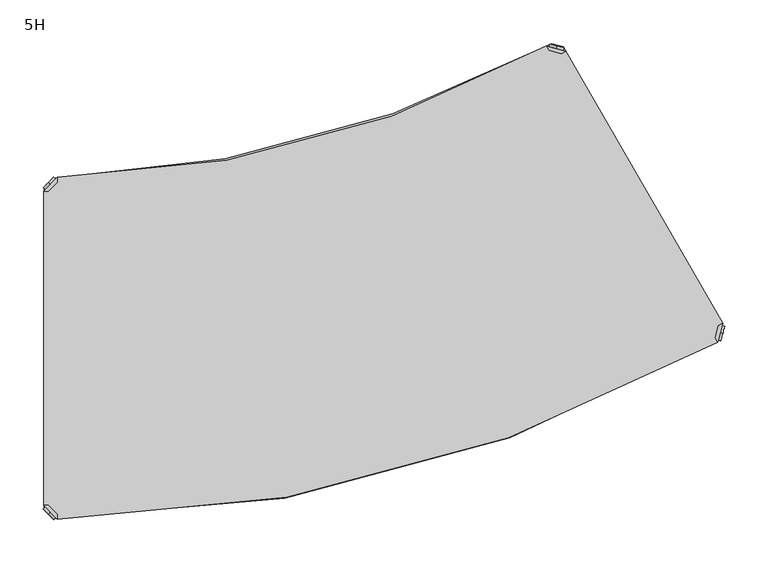
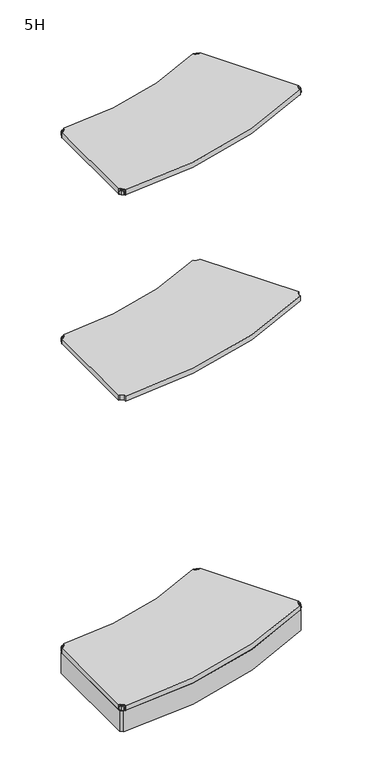
"""IFC4 building model written with IfcOpenShell, lengths in millimetres: furniture geometry, 5H."""

from ifc_helpers import new_model, si_unit, point, frame, frame_2d, origin, place, context, project, spatial, polyline, circle_curve, trimmed, segment, composite_curve, outline, extrude, source, transform, mapped, element, save
from ifc_brep_helpers import plane_surface, cylinder_surface, advanced_brep


def furniture_5h_eff8c417(model_context):
    return source(origin(), model_context, "Body", "SolidModel", [
        advanced_brep(
        [(10.9601551, 389.0398449, 1298.5), (10.9601551, 389.0398449, 1315.5), (10.9601551, 389.0398449, 1307.0), (8.8388348, 391.1611652, 1298.5), (8.8388348, 391.1611652, 1315.5), (8.8388348, 391.1611652, 1307.0)],
        [
            (0, 1, circle_curve(frame((10.9601551, 389.0398449, 1307.0), z_axis=(0.7071067811865509, -0.7071067811865441, 0.0), x_axis=(0.0, 0.0, 1.0)), 8.5)),
            (1, 2),
            (2, 0),
            (1, 0, circle_curve(frame((10.9601551, 389.0398449, 1307.0), z_axis=(0.7071067811865509, -0.7071067811865441, 0.0), x_axis=(0.0, 0.0, 1.0)), 8.5)),
            (3, 4, circle_curve(frame((8.8388348, 391.1611652, 1307.0), z_axis=(0.7071067811865509, -0.7071067811865441, 0.0), x_axis=(0.0, 0.0, 1.0)), 8.5)),
            (4, 1),
            (0, 3),
            (4, 3, circle_curve(frame((8.8388348, 391.1611652, 1307.0), z_axis=(0.7071067811865509, -0.7071067811865441, 0.0), x_axis=(0.0, 0.0, 1.0)), 8.5)),
            (5, 4),
            (3, 5),
        ],
        [
            plane_surface(frame((10.9601551, 389.0398449, 1307.0), z_axis=(0.7071067811865506, -0.7071067811865446, 0.0), x_axis=(0.0, 0.0, 1.0))),
            cylinder_surface(frame((8.8388348, 391.1611652, 1307.0), z_axis=(-0.7071067811865509, 0.7071067811865441, 0.0), x_axis=(0.0, 0.0, 1.0)), 8.5),
            plane_surface(frame((8.8388348, 391.1611652, 1307.0), z_axis=(-0.7071067811865506, 0.7071067811865446, 0.0), x_axis=(0.0, 0.0, 1.0))),
        ],
        [
            (0, [[1, 2, 3]]),
            (0, [[4, -3, -2]]),
            (1, [[5, 6, -1, 7]]),
            (1, [[8, -7, -4, -6]]),
            (2, [[9, -5, 10]]),
            (2, [[-10, -8, -9]]),
        ],
    ),
        advanced_brep(
        [(18.9203102, 397.0, 1317.0), (3.0, 381.0796898, 1317.0), (8.6568542, 381.0796898, 1317.0), (18.9203102, 391.3431458, 1317.0), (18.9203102, 397.0, 1298.0), (18.9203102, 397.0, 1297.0), (3.0, 381.0796898, 1297.0), (3.0, 381.0796898, 1298.0), (8.6568542, 381.0796898, 1298.0), (18.9203102, 391.3431458, 1298.0), (31.8093975, 352.2702923, 1298.0), (47.7297077, 368.1906025, 1298.0), (47.7297077, 368.1906025, 1297.0), (31.8093975, 352.2702923, 1297.0)],
        [
            (0, 1),
            (1, 2),
            (2, 3),
            (3, 0),
            (0, 4),
            (4, 5),
            (5, 6),
            (6, 7),
            (7, 1),
            (2, 8),
            (8, 9),
            (9, 3),
            (9, 4),
            (7, 8),
            (7, 10),
            (10, 11, circle_curve(frame((39.7695526, 360.2304474, 1298.0), z_axis=(0.0, 0.0, 1.0), x_axis=(1.0, 0.0, 0.0)), 11.2573593)),
            (11, 4),
            (5, 12),
            (12, 13, circle_curve(frame((39.7695526, 360.2304474, 1297.0), z_axis=(0.0, 0.0, -1.0), x_axis=(1.0, 0.0, 0.0)), 11.2573593)),
            (13, 6),
            (13, 10),
            (12, 11),
        ],
        [
            plane_surface(frame((-38.8756299, 339.2040599, 1317.0), z_axis=(0.0, 0.0, 1.0000000000000002), x_axis=(-0.7071067811865511, -0.707106781186544, 0.0))),
            plane_surface(frame((18.9203102, 397.0, 1317.0), z_axis=(-0.707106781186544, 0.7071067811865511, 0.0), x_axis=(0.0, 0.0, -1.0))),
            plane_surface(frame((8.6568542, 381.0796898, 1317.0), z_axis=(0.7071067811865527, -0.7071067811865424, 0.0), x_axis=(0.0, 0.0, -1.0))),
            plane_surface(frame((18.9203102, 391.3431458, 1317.0), z_axis=(1.0, 0.0, 0.0), x_axis=(0.0, 0.0, -1.0))),
            plane_surface(frame((3.0, 381.0796898, 1317.0), z_axis=(0.0, -1.0, 0.0), x_axis=(0.0, 0.0, -1.0))),
            plane_surface(frame((3.0, 381.0796898, 1298.0), z_axis=(0.0, 0.0, 1.0), x_axis=(-0.7071067811865439, -0.7071067811865511, 0.0))),
            plane_surface(frame((3.0, 381.0796898, 1297.0), z_axis=(0.0, 0.0, -1.0), x_axis=(0.7071067811865439, 0.7071067811865511, 0.0))),
            plane_surface(frame((3.0, 381.0796898, 1298.0), z_axis=(-0.7071067811865446, -0.7071067811865506, 0.0), x_axis=(0.0, 0.0, -1.0))),
            cylinder_surface(frame((39.7695526, 360.2304474, 1297.0), z_axis=(0.0, 0.0, 1.0), x_axis=(1.0, 0.0, 0.0)), 11.2573593),
            plane_surface(frame((47.7297077, 368.1906025, 1298.0), z_axis=(0.7071067811865435, 0.7071067811865517, 0.0), x_axis=(0.0, 0.0, -1.0))),
        ],
        [
            (0, [[1, 2, 3, 4]]),
            (1, [[-1, 5, 6, 7, 8, 9]]),
            (2, [[-3, 10, 11, 12]]),
            (3, [[-4, -12, 13, -5]]),
            (4, [[-2, -9, 14, -10]]),
            (5, [[15, 16, 17, -13, -11, -14]]),
            (6, [[18, 19, 20, -7]]),
            (7, [[-15, -8, -20, 21]]),
            (8, [[-16, -21, -19, 22]]),
            (9, [[-17, -22, -18, -6]]),
        ],
    ),
        extrude(outline(composite_curve([segment(polyline([(3.0, 381.0796898), (8.6568542, 381.0796898), (18.9203102, 391.3431458), (18.9203102, 397.1493369)]), True, "CONTINUOUS"), segment(trimmed(circle_curve(frame_2d((0.0, 1595.6333221)), 1198.6333221), [point((18.9203102, 397.1493369))], [point((582.8586275, 548.2567608))], True, "CARTESIAN"), True, "CONTINUOUS"), segment(polyline([(582.8586275, 548.2567608), (585.6991478, 543.3368352), (599.7022885, 539.584705), (604.609961, 542.418151), (785.7022582, 228.7570914), (780.8066612, 225.9306171), (777.0494272, 211.9084292), (779.8770965, 207.0107625)]), True, "CONTINUOUS"), segment(trimmed(circle_curve(frame_2d((0.0, 1595.6333221)), 1592.6333221), [point((779.8770965, 207.0107625))], [point((18.9203102, 3.1123896))], False, "CARTESIAN"), True, "CONTINUOUS"), segment(polyline([(18.9203102, 3.1123896), (18.9203102, 8.6568542), (8.6568542, 18.9203102), (3.0, 18.9203102), (3.0, 381.0796898)]), True, "CONTINUOUS")], self_intersect=False)), frame((0.0, 0.0, 1298.0), z_axis=(0.0, 0.0, 1.0), x_axis=(1.0, 0.0, 0.0)), (0.0, 0.0, 1.0), 19.0),
        advanced_brep(
        [(10.9601551, 10.9601551, 2098.5), (10.9601551, 10.9601551, 2107.0), (10.9601551, 10.9601551, 2115.5), (8.8388348, 8.8388348, 2098.5), (8.8388348, 8.8388348, 2115.5), (8.8388348, 8.8388348, 2107.0)],
        [
            (0, 1),
            (1, 2),
            (2, 0, circle_curve(frame((10.9601551, 10.9601551, 2107.0), z_axis=(0.7071067811865465, 0.7071067811865486, 0.0), x_axis=(0.0, 0.0, 1.0)), 8.5)),
            (0, 2, circle_curve(frame((10.9601551, 10.9601551, 2107.0), z_axis=(0.7071067811865465, 0.7071067811865486, 0.0), x_axis=(0.0, 0.0, 1.0)), 8.5)),
            (3, 0),
            (2, 4),
            (4, 3, circle_curve(frame((8.8388348, 8.8388348, 2107.0), z_axis=(0.7071067811865465, 0.7071067811865486, 0.0), x_axis=(0.0, 0.0, 1.0)), 8.5)),
            (3, 4, circle_curve(frame((8.8388348, 8.8388348, 2107.0), z_axis=(0.7071067811865465, 0.7071067811865486, 0.0), x_axis=(0.0, 0.0, 1.0)), 8.5)),
            (5, 3),
            (4, 5),
        ],
        [
            plane_surface(frame((10.9601551, 10.9601551, 2107.0), z_axis=(0.7071067811865461, 0.707106781186549, 0.0), x_axis=(0.0, 0.0, 1.0))),
            cylinder_surface(frame((8.8388348, 8.8388348, 2107.0), z_axis=(-0.7071067811865465, -0.7071067811865486, 0.0), x_axis=(0.0, 0.0, 1.0)), 8.5),
            plane_surface(frame((8.8388348, 8.8388348, 2107.0), z_axis=(-0.7071067811865461, -0.707106781186549, 0.0), x_axis=(0.0, 0.0, 1.0))),
        ],
        [
            (0, [[1, 2, 3]]),
            (0, [[-2, -1, 4]]),
            (1, [[5, -3, 6, 7]]),
            (1, [[-6, -4, -5, 8]]),
            (2, [[9, -7, 10]]),
            (2, [[-10, -8, -9]]),
        ],
    ),
        advanced_brep(
        [(18.9203102, 3.0, 2117.0), (18.9203102, 8.6568542, 2117.0), (8.6568542, 18.9203102, 2117.0), (3.0, 18.9203102, 2117.0), (3.0, 18.9203102, 2098.0), (3.0, 18.9203102, 2097.0), (18.9203102, 3.0, 2097.0), (18.9203102, 3.0, 2098.0), (18.9203102, 8.6568542, 2098.0), (8.6568542, 18.9203102, 2098.0), (47.7297077, 31.8093975, 2098.0), (31.8093975, 47.7297077, 2098.0), (31.8093975, 47.7297077, 2097.0), (47.7297077, 31.8093975, 2097.0)],
        [
            (0, 1),
            (1, 2),
            (2, 3),
            (3, 0),
            (3, 4),
            (4, 5),
            (5, 6),
            (6, 7),
            (7, 0),
            (1, 8),
            (8, 9),
            (9, 2),
            (7, 8),
            (9, 4),
            (7, 10),
            (10, 11, circle_curve(frame((39.7695526, 39.7695526, 2098.0), z_axis=(0.0, 0.0, 1.0), x_axis=(1.0, 0.0, 0.0)), 11.2573593)),
            (11, 4),
            (5, 12),
            (12, 13, circle_curve(frame((39.7695526, 39.7695526, 2097.0), z_axis=(0.0, 0.0, -1.0), x_axis=(1.0, 0.0, 0.0)), 11.2573593)),
            (13, 6),
            (11, 12),
            (10, 13),
        ],
        [
            plane_surface(frame((-38.8756299, 60.7959401, 2117.0), z_axis=(0.0, 0.0, 1.0), x_axis=(-0.7071067811865556, 0.7071067811865396, 0.0))),
            plane_surface(frame((18.9203102, 3.0, 2117.0), z_axis=(-0.7071067811865396, -0.7071067811865556, 0.0), x_axis=(0.0, 0.0, -1.0))),
            plane_surface(frame((8.6568542, 18.9203102, 2117.0), z_axis=(0.7071067811865482, 0.7071067811865468, 0.0), x_axis=(0.0, 0.0, -1.0))),
            plane_surface(frame((18.9203102, 8.6568542, 2117.0), z_axis=(1.0, 0.0, 0.0), x_axis=(0.0, 0.0, -1.0))),
            plane_surface(frame((3.0, 18.9203102, 2117.0), z_axis=(0.0, 1.0, 0.0), x_axis=(0.0, 0.0, -1.0))),
            plane_surface(frame((3.0, 18.9203102, 2098.0), z_axis=(0.0, 0.0, 1.0), x_axis=(-0.7071067811865483, 0.7071067811865467, 0.0))),
            plane_surface(frame((3.0, 18.9203102, 2097.0), z_axis=(0.0, 0.0, -1.0), x_axis=(0.7071067811865483, -0.7071067811865467, 0.0))),
            plane_surface(frame((3.0, 18.9203102, 2098.0), z_axis=(-0.707106781186549, 0.7071067811865461, 0.0), x_axis=(0.0, 0.0, -1.0))),
            cylinder_surface(frame((39.7695526, 39.7695526, 2097.0), z_axis=(0.0, 0.0, 1.0), x_axis=(1.0, 0.0, 0.0)), 11.2573593),
            plane_surface(frame((47.7297077, 31.8093975, 2098.0), z_axis=(0.7071067811865479, -0.7071067811865472, 0.0), x_axis=(0.0, 0.0, -1.0))),
        ],
        [
            (0, [[1, 2, 3, 4]]),
            (1, [[5, 6, 7, 8, 9, -4]]),
            (2, [[10, 11, 12, -2]]),
            (3, [[-9, 13, -10, -1]]),
            (4, [[-12, 14, -5, -3]]),
            (5, [[-14, -11, -13, 15, 16, 17]]),
            (6, [[-7, 18, 19, 20]]),
            (7, [[21, -18, -6, -17]]),
            (8, [[22, -19, -21, -16]]),
            (9, [[-8, -20, -22, -15]]),
        ],
    ),
        advanced_brep(
        [(782.7920217, 217.8852702, 2098.5), (782.7920217, 217.8852702, 2115.5), (782.7920217, 217.8852702, 2107.0), (785.6897991, 217.108813, 2098.5), (785.6897991, 217.108813, 2115.5), (785.6897991, 217.108813, 2107.0)],
        [
            (0, 1, circle_curve(frame((782.7920217, 217.8852702, 2107.0), z_axis=(-0.9659258262890685, 0.25881904510252, 0.0), x_axis=(0.0, 0.0, 1.0)), 8.5)),
            (1, 2),
            (2, 0),
            (1, 0, circle_curve(frame((782.7920217, 217.8852702, 2107.0), z_axis=(-0.9659258262890685, 0.25881904510252, 0.0), x_axis=(0.0, 0.0, 1.0)), 8.5)),
            (3, 4, circle_curve(frame((785.6897991, 217.108813, 2107.0), z_axis=(-0.9659258262890685, 0.25881904510252, 0.0), x_axis=(0.0, 0.0, 1.0)), 8.5)),
            (4, 1),
            (0, 3),
            (4, 3, circle_curve(frame((785.6897991, 217.108813, 2107.0), z_axis=(-0.9659258262890685, 0.25881904510252, 0.0), x_axis=(0.0, 0.0, 1.0)), 8.5)),
            (5, 4),
            (3, 5),
        ],
        [
            plane_surface(frame((782.7920217, 217.8852702, 2107.0), z_axis=(-0.9659258262890684, 0.25881904510252063, 0.0), x_axis=(0.0, 0.0, 1.0))),
            cylinder_surface(frame((785.6897991, 217.108813, 2107.0), z_axis=(0.9659258262890685, -0.25881904510252, 0.0), x_axis=(0.0, 0.0, 1.0)), 8.5),
            plane_surface(frame((785.6897991, 217.108813, 2107.0), z_axis=(0.9659258262890684, -0.25881904510252063, 0.0), x_axis=(0.0, 0.0, 1.0))),
        ],
        [
            (0, [[1, 2, 3]]),
            (0, [[4, -3, -2]]),
            (1, [[5, 6, -1, 7]]),
            (1, [[8, -7, -4, -6]]),
            (2, [[9, -5, 10]]),
            (2, [[-10, -8, -9]]),
        ],
    ),
        advanced_brep(
        [(779.8784027, 207.0114961, 2117.0), (785.7056407, 228.7590443, 2117.0), (780.8066612, 225.9306171, 2117.0), (777.0499756, 211.9104756, 2117.0), (779.8784027, 207.0114961, 2098.0), (779.8784027, 207.0114961, 2097.0), (785.7056407, 228.7590443, 2097.0), (785.7056407, 228.7590443, 2098.0), (780.8066612, 225.9306171, 2098.0), (777.0499756, 211.9104756, 2098.0), (746.3512718, 239.3040156, 2098.0), (740.5240338, 217.5564674, 2098.0), (740.5240338, 217.5564674, 2097.0), (746.3512718, 239.3040156, 2097.0)],
        [
            (0, 1),
            (1, 2),
            (2, 3),
            (3, 0),
            (0, 4),
            (4, 5),
            (5, 6),
            (6, 7),
            (7, 1),
            (2, 8),
            (8, 9),
            (9, 3),
            (9, 4),
            (7, 8),
            (7, 10),
            (10, 11, circle_curve(frame((743.4376528, 228.4302415, 2098.0), z_axis=(0.0, 0.0, 1.0), x_axis=(-0.8660254037844375, -0.5000000000000021, 0.0)), 11.2573593)),
            (11, 4),
            (5, 12),
            (12, 13, circle_curve(frame((743.4376528, 228.4302415, 2097.0), z_axis=(0.0, 0.0, -1.0), x_axis=(-0.8660254037844375, -0.5000000000000021, 0.0)), 11.2573593)),
            (13, 6),
            (13, 10),
            (12, 11),
        ],
        [
            plane_surface(frame((801.033185, 285.9622185, 2117.0), z_axis=(0.0, 0.0, 1.0), x_axis=(0.25881904510252957, 0.965925826289066, 0.0))),
            plane_surface(frame((779.8784027, 207.0114961, 2117.0), z_axis=(0.965925826289066, -0.25881904510252957, 0.0), x_axis=(0.0, 0.0, -1.0))),
            plane_surface(frame((780.8066612, 225.9306171, 2117.0), z_axis=(-0.9659258262890692, 0.2588190451025176, 0.0), x_axis=(0.0, 0.0, -1.0))),
            plane_surface(frame((777.0499756, 211.9104756, 2117.0), z_axis=(-0.866025403784462, -0.4999999999999597, 0.0), x_axis=(0.0, 0.0, -1.0))),
            plane_surface(frame((785.7056407, 228.7590443, 2117.0), z_axis=(-0.4999999999999963, 0.8660254037844408, 0.0), x_axis=(0.0, 0.0, -1.0))),
            plane_surface(frame((785.7056407, 228.7590443, 2098.0), z_axis=(0.0, 0.0, 1.0), x_axis=(0.2588190451025197, 0.9659258262890686, 0.0))),
            plane_surface(frame((785.7056407, 228.7590443, 2097.0), z_axis=(0.0, 0.0, -1.0), x_axis=(-0.2588190451025197, -0.9659258262890686, 0.0))),
            plane_surface(frame((785.7056407, 228.7590443, 2098.0), z_axis=(0.25881904510252063, 0.9659258262890684, 0.0), x_axis=(0.0, 0.0, -1.0))),
            cylinder_surface(frame((743.4376528, 228.4302415, 2097.0), z_axis=(0.0, 0.0, 1.0), x_axis=(-0.8660254037844375, -0.5000000000000021, 0.0)), 11.2573593),
            plane_surface(frame((740.5240338, 217.5564674, 2098.0), z_axis=(-0.2588190451025191, -0.9659258262890689, 0.0), x_axis=(0.0, 0.0, -1.0))),
        ],
        [
            (0, [[1, 2, 3, 4]]),
            (1, [[-1, 5, 6, 7, 8, 9]]),
            (2, [[-3, 10, 11, 12]]),
            (3, [[-4, -12, 13, -5]]),
            (4, [[-2, -9, 14, -10]]),
            (5, [[15, 16, 17, -13, -11, -14]]),
            (6, [[18, 19, 20, -7]]),
            (7, [[-15, -8, -20, 21]]),
            (8, [[-16, -21, -19, 22]]),
            (9, [[-17, -22, -18, -6]]),
        ],
    ),
        advanced_brep(
        [(593.7274939, 545.3267511, 2098.5), (593.7274939, 545.3267511, 2107.0), (593.7274939, 545.3267511, 2115.5), (594.503951, 548.2245285, 2098.5), (594.503951, 548.2245285, 2115.5), (594.503951, 548.2245285, 2107.0)],
        [
            (0, 1),
            (1, 2),
            (2, 0, circle_curve(frame((593.7274939, 545.3267511, 2107.0), z_axis=(-0.25881904510252524, -0.9659258262890672, 0.0), x_axis=(0.0, 0.0, 1.0)), 8.5)),
            (0, 2, circle_curve(frame((593.7274939, 545.3267511, 2107.0), z_axis=(-0.25881904510252524, -0.9659258262890672, 0.0), x_axis=(0.0, 0.0, 1.0)), 8.5)),
            (3, 0),
            (2, 4),
            (4, 3, circle_curve(frame((594.503951, 548.2245285, 2107.0), z_axis=(-0.25881904510252524, -0.9659258262890672, 0.0), x_axis=(0.0, 0.0, 1.0)), 8.5)),
            (3, 4, circle_curve(frame((594.503951, 548.2245285, 2107.0), z_axis=(-0.25881904510252524, -0.9659258262890672, 0.0), x_axis=(0.0, 0.0, 1.0)), 8.5)),
            (5, 3),
            (4, 5),
        ],
        [
            plane_surface(frame((593.7274939, 545.3267511, 2107.0), z_axis=(-0.2588190451025247, -0.9659258262890673, 0.0), x_axis=(0.0, 0.0, 1.0))),
            cylinder_surface(frame((594.503951, 548.2245285, 2107.0), z_axis=(0.25881904510252524, 0.9659258262890672, 0.0), x_axis=(0.0, 0.0, 1.0)), 8.5),
            plane_surface(frame((594.503951, 548.2245285, 2107.0), z_axis=(0.2588190451025247, 0.9659258262890673, 0.0), x_axis=(0.0, 0.0, 1.0))),
        ],
        [
            (0, [[1, 2, 3]]),
            (0, [[-2, -1, 4]]),
            (1, [[5, -3, 6, 7]]),
            (1, [[-6, -4, -5, 8]]),
            (2, [[9, -7, 10]]),
            (2, [[-10, -8, -9]]),
        ],
    ),
        advanced_brep(
        [(582.8537198, 548.2403701, 2117.0), (585.6821469, 543.3413906, 2117.0), (599.7022885, 539.584705, 2117.0), (604.601268, 542.4131321, 2117.0), (604.601268, 542.4131321, 2098.0), (604.601268, 542.4131321, 2097.0), (582.8537198, 548.2403701, 2097.0), (582.8537198, 548.2403701, 2098.0), (585.6821469, 543.3413906, 2098.0), (599.7022885, 539.584705, 2098.0), (572.3087484, 508.8860012, 2098.0), (594.0562966, 503.0587632, 2098.0), (594.0562966, 503.0587632, 2097.0), (572.3087484, 508.8860012, 2097.0)],
        [
            (0, 1),
            (1, 2),
            (2, 3),
            (3, 0),
            (3, 4),
            (4, 5),
            (5, 6),
            (6, 7),
            (7, 0),
            (1, 8),
            (8, 9),
            (9, 2),
            (7, 8),
            (9, 4),
            (7, 10),
            (10, 11, circle_curve(frame((583.1825225, 505.9723822, 2098.0), z_axis=(0.0, 0.0, 1.0), x_axis=(-0.8660254037844418, -0.49999999999999467, 0.0)), 11.2573593)),
            (11, 4),
            (5, 12),
            (12, 13, circle_curve(frame((583.1825225, 505.9723822, 2097.0), z_axis=(0.0, 0.0, -1.0), x_axis=(-0.8660254037844418, -0.49999999999999467, 0.0)), 11.2573593)),
            (13, 6),
            (11, 12),
            (10, 13),
        ],
        [
            plane_surface(frame((661.8044422, 527.0855877, 2117.0), z_axis=(0.0, 0.0, 1.0000000000000002), x_axis=(0.9659258262890698, -0.25881904510251574, 0.0))),
            plane_surface(frame((582.8537198, 548.2403701, 2117.0), z_axis=(0.25881904510251574, 0.9659258262890698, 0.0), x_axis=(0.0, 0.0, -1.0))),
            plane_surface(frame((599.7022885, 539.584705, 2117.0), z_axis=(-0.25881904510252757, -0.9659258262890665, 0.0), x_axis=(0.0, 0.0, -1.0))),
            plane_surface(frame((585.6821469, 543.3413906, 2117.0), z_axis=(-0.8660254037844173, -0.5000000000000371, 0.0), x_axis=(0.0, 0.0, -1.0))),
            plane_surface(frame((604.601268, 542.4131321, 2117.0), z_axis=(0.5000000000000004, -0.8660254037844385, 0.0), x_axis=(0.0, 0.0, -1.0))),
            plane_surface(frame((604.601268, 542.4131321, 2098.0), z_axis=(0.0, 0.0, 1.0), x_axis=(0.9659258262890671, -0.25881904510252546, 0.0))),
            plane_surface(frame((604.601268, 542.4131321, 2097.0), z_axis=(0.0, 0.0, -1.0), x_axis=(-0.9659258262890671, 0.25881904510252546, 0.0))),
            plane_surface(frame((604.601268, 542.4131321, 2098.0), z_axis=(0.9659258262890673, -0.2588190451025247, 0.0), x_axis=(0.0, 0.0, -1.0))),
            cylinder_surface(frame((583.1825225, 505.9723822, 2097.0), z_axis=(0.0, 0.0, 1.0), x_axis=(-0.8660254037844418, -0.49999999999999467, 0.0)), 11.2573593),
            plane_surface(frame((572.3087484, 508.8860012, 2098.0), z_axis=(-0.9659258262890669, 0.2588190451025262, 0.0), x_axis=(0.0, 0.0, -1.0))),
        ],
        [
            (0, [[1, 2, 3, 4]]),
            (1, [[5, 6, 7, 8, 9, -4]]),
            (2, [[10, 11, 12, -2]]),
            (3, [[-9, 13, -10, -1]]),
            (4, [[-12, 14, -5, -3]]),
            (5, [[-14, -11, -13, 15, 16, 17]]),
            (6, [[-7, 18, 19, 20]]),
            (7, [[21, -18, -6, -17]]),
            (8, [[22, -19, -21, -16]]),
            (9, [[-8, -20, -22, -15]]),
        ],
    ),
        advanced_brep(
        [(10.9601551, 389.0398449, 2098.5), (10.9601551, 389.0398449, 2115.5), (10.9601551, 389.0398449, 2107.0), (8.8388348, 391.1611652, 2098.5), (8.8388348, 391.1611652, 2115.5), (8.8388348, 391.1611652, 2107.0)],
        [
            (0, 1, circle_curve(frame((10.9601551, 389.0398449, 2107.0), z_axis=(0.7071067811865509, -0.7071067811865441, 0.0), x_axis=(0.0, 0.0, 1.0)), 8.5)),
            (1, 2),
            (2, 0),
            (1, 0, circle_curve(frame((10.9601551, 389.0398449, 2107.0), z_axis=(0.7071067811865509, -0.7071067811865441, 0.0), x_axis=(0.0, 0.0, 1.0)), 8.5)),
            (3, 4, circle_curve(frame((8.8388348, 391.1611652, 2107.0), z_axis=(0.7071067811865509, -0.7071067811865441, 0.0), x_axis=(0.0, 0.0, 1.0)), 8.5)),
            (4, 1),
            (0, 3),
            (4, 3, circle_curve(frame((8.8388348, 391.1611652, 2107.0), z_axis=(0.7071067811865509, -0.7071067811865441, 0.0), x_axis=(0.0, 0.0, 1.0)), 8.5)),
            (5, 4),
            (3, 5),
        ],
        [
            plane_surface(frame((10.9601551, 389.0398449, 2107.0), z_axis=(0.7071067811865506, -0.7071067811865446, 0.0), x_axis=(0.0, 0.0, 1.0))),
            cylinder_surface(frame((8.8388348, 391.1611652, 2107.0), z_axis=(-0.7071067811865509, 0.7071067811865441, 0.0), x_axis=(0.0, 0.0, 1.0)), 8.5),
            plane_surface(frame((8.8388348, 391.1611652, 2107.0), z_axis=(-0.7071067811865506, 0.7071067811865446, 0.0), x_axis=(0.0, 0.0, 1.0))),
        ],
        [
            (0, [[1, 2, 3]]),
            (0, [[4, -3, -2]]),
            (1, [[5, 6, -1, 7]]),
            (1, [[8, -7, -4, -6]]),
            (2, [[9, -5, 10]]),
            (2, [[-10, -8, -9]]),
        ],
    ),
        advanced_brep(
        [(18.9203102, 397.0, 2117.0), (3.0, 381.0796898, 2117.0), (8.6568542, 381.0796898, 2117.0), (18.9203102, 391.3431458, 2117.0), (18.9203102, 397.0, 2098.0), (18.9203102, 397.0, 2097.0), (3.0, 381.0796898, 2097.0), (3.0, 381.0796898, 2098.0), (8.6568542, 381.0796898, 2098.0), (18.9203102, 391.3431458, 2098.0), (31.8093975, 352.2702923, 2098.0), (47.7297077, 368.1906025, 2098.0), (47.7297077, 368.1906025, 2097.0), (31.8093975, 352.2702923, 2097.0)],
        [
            (0, 1),
            (1, 2),
            (2, 3),
            (3, 0),
            (0, 4),
            (4, 5),
            (5, 6),
            (6, 7),
            (7, 1),
            (2, 8),
            (8, 9),
            (9, 3),
            (9, 4),
            (7, 8),
            (7, 10),
            (10, 11, circle_curve(frame((39.7695526, 360.2304474, 2098.0), z_axis=(0.0, 0.0, 1.0), x_axis=(1.0, 0.0, 0.0)), 11.2573593)),
            (11, 4),
            (5, 12),
            (12, 13, circle_curve(frame((39.7695526, 360.2304474, 2097.0), z_axis=(0.0, 0.0, -1.0), x_axis=(1.0, 0.0, 0.0)), 11.2573593)),
            (13, 6),
            (13, 10),
            (12, 11),
        ],
        [
            plane_surface(frame((-38.8756299, 339.2040599, 2117.0), z_axis=(0.0, 0.0, 1.0000000000000002), x_axis=(-0.7071067811865511, -0.707106781186544, 0.0))),
            plane_surface(frame((18.9203102, 397.0, 2117.0), z_axis=(-0.707106781186544, 0.7071067811865511, 0.0), x_axis=(0.0, 0.0, -1.0))),
            plane_surface(frame((8.6568542, 381.0796898, 2117.0), z_axis=(0.7071067811865527, -0.7071067811865424, 0.0), x_axis=(0.0, 0.0, -1.0))),
            plane_surface(frame((18.9203102, 391.3431458, 2117.0), z_axis=(1.0, 0.0, 0.0), x_axis=(0.0, 0.0, -1.0))),
            plane_surface(frame((3.0, 381.0796898, 2117.0), z_axis=(0.0, -1.0, 0.0), x_axis=(0.0, 0.0, -1.0))),
            plane_surface(frame((3.0, 381.0796898, 2098.0), z_axis=(0.0, 0.0, 1.0), x_axis=(-0.7071067811865439, -0.7071067811865511, 0.0))),
            plane_surface(frame((3.0, 381.0796898, 2097.0), z_axis=(0.0, 0.0, -1.0), x_axis=(0.7071067811865439, 0.7071067811865511, 0.0))),
            plane_surface(frame((3.0, 381.0796898, 2098.0), z_axis=(-0.7071067811865446, -0.7071067811865506, 0.0), x_axis=(0.0, 0.0, -1.0))),
            cylinder_surface(frame((39.7695526, 360.2304474, 2097.0), z_axis=(0.0, 0.0, 1.0), x_axis=(1.0, 0.0, 0.0)), 11.2573593),
            plane_surface(frame((47.7297077, 368.1906025, 2098.0), z_axis=(0.7071067811865435, 0.7071067811865517, 0.0), x_axis=(0.0, 0.0, -1.0))),
        ],
        [
            (0, [[1, 2, 3, 4]]),
            (1, [[-1, 5, 6, 7, 8, 9]]),
            (2, [[-3, 10, 11, 12]]),
            (3, [[-4, -12, 13, -5]]),
            (4, [[-2, -9, 14, -10]]),
            (5, [[15, 16, 17, -13, -11, -14]]),
            (6, [[18, 19, 20, -7]]),
            (7, [[-15, -8, -20, 21]]),
            (8, [[-16, -21, -19, 22]]),
            (9, [[-17, -22, -18, -6]]),
        ],
    ),
        extrude(outline(composite_curve([segment(polyline([(3.0, 381.0796898), (8.6568542, 381.0796898), (18.9203102, 391.3431458), (18.9203102, 397.1493369)]), True, "CONTINUOUS"), segment(trimmed(circle_curve(frame_2d((0.0, 1595.6333221)), 1198.6333221), [point((18.9203102, 397.1493369))], [point((582.8586275, 548.2567608))], True, "CARTESIAN"), True, "CONTINUOUS"), segment(polyline([(582.8586275, 548.2567608), (585.6991478, 543.3368352), (599.7022885, 539.584705), (604.609961, 542.418151), (785.7022582, 228.7570914), (780.8066612, 225.9306171), (777.0494272, 211.9084292), (779.8770965, 207.0107625)]), True, "CONTINUOUS"), segment(trimmed(circle_curve(frame_2d((0.0, 1595.6333221)), 1592.6333221), [point((779.8770965, 207.0107625))], [point((18.9203102, 3.1123896))], False, "CARTESIAN"), True, "CONTINUOUS"), segment(polyline([(18.9203102, 3.1123896), (18.9203102, 8.6568542), (8.6568542, 18.9203102), (3.0, 18.9203102), (3.0, 381.0796898)]), True, "CONTINUOUS")], self_intersect=False)), frame((0.0, 0.0, 2098.0), z_axis=(0.0, 0.0, 1.0), x_axis=(1.0, 0.0, 0.0)), (0.0, 0.0, 1.0), 19.0),
        advanced_brep(
        [(10.9601551, 10.9601551, 98.5), (10.9601551, 10.9601551, 107.0), (10.9601551, 10.9601551, 115.5), (8.8388348, 8.8388348, 98.5), (8.8388348, 8.8388348, 115.5), (8.8388348, 8.8388348, 107.0)],
        [
            (0, 1),
            (1, 2),
            (2, 0, circle_curve(frame((10.9601551, 10.9601551, 107.0), z_axis=(0.7071067811865465, 0.7071067811865486, 0.0), x_axis=(0.0, 0.0, 1.0)), 8.5)),
            (0, 2, circle_curve(frame((10.9601551, 10.9601551, 107.0), z_axis=(0.7071067811865465, 0.7071067811865486, 0.0), x_axis=(0.0, 0.0, 1.0)), 8.5)),
            (3, 0),
            (2, 4),
            (4, 3, circle_curve(frame((8.8388348, 8.8388348, 107.0), z_axis=(0.7071067811865465, 0.7071067811865486, 0.0), x_axis=(0.0, 0.0, 1.0)), 8.5)),
            (3, 4, circle_curve(frame((8.8388348, 8.8388348, 107.0), z_axis=(0.7071067811865465, 0.7071067811865486, 0.0), x_axis=(0.0, 0.0, 1.0)), 8.5)),
            (5, 3),
            (4, 5),
        ],
        [
            plane_surface(frame((10.9601551, 10.9601551, 107.0), z_axis=(0.7071067811865461, 0.707106781186549, 0.0), x_axis=(0.0, 0.0, 1.0))),
            cylinder_surface(frame((8.8388348, 8.8388348, 107.0), z_axis=(-0.7071067811865465, -0.7071067811865486, 0.0), x_axis=(0.0, 0.0, 1.0)), 8.5),
            plane_surface(frame((8.8388348, 8.8388348, 107.0), z_axis=(-0.7071067811865461, -0.707106781186549, 0.0), x_axis=(0.0, 0.0, 1.0))),
        ],
        [
            (0, [[1, 2, 3]]),
            (0, [[-2, -1, 4]]),
            (1, [[5, -3, 6, 7]]),
            (1, [[-6, -4, -5, 8]]),
            (2, [[9, -7, 10]]),
            (2, [[-10, -8, -9]]),
        ],
    ),
        advanced_brep(
        [(18.9203102, 3.0, 117.0), (18.9203102, 8.6568542, 117.0), (8.6568542, 18.9203102, 117.0), (3.0, 18.9203102, 117.0), (3.0, 18.9203102, 98.0), (3.0, 18.9203102, 97.0), (18.9203102, 3.0, 97.0), (18.9203102, 3.0, 98.0), (18.9203102, 8.6568542, 98.0), (8.6568542, 18.9203102, 98.0), (47.7297077, 31.8093975, 98.0), (31.8093975, 47.7297077, 98.0), (31.8093975, 47.7297077, 97.0), (47.7297077, 31.8093975, 97.0)],
        [
            (0, 1),
            (1, 2),
            (2, 3),
            (3, 0),
            (3, 4),
            (4, 5),
            (5, 6),
            (6, 7),
            (7, 0),
            (1, 8),
            (8, 9),
            (9, 2),
            (7, 8),
            (9, 4),
            (7, 10),
            (10, 11, circle_curve(frame((39.7695526, 39.7695526, 98.0), z_axis=(0.0, 0.0, 1.0), x_axis=(1.0, 0.0, 0.0)), 11.2573593)),
            (11, 4),
            (5, 12),
            (12, 13, circle_curve(frame((39.7695526, 39.7695526, 97.0), z_axis=(0.0, 0.0, -1.0), x_axis=(1.0, 0.0, 0.0)), 11.2573593)),
            (13, 6),
            (11, 12),
            (10, 13),
        ],
        [
            plane_surface(frame((-38.8756299, 60.7959401, 117.0), z_axis=(0.0, 0.0, 1.0), x_axis=(-0.7071067811865556, 0.7071067811865396, 0.0))),
            plane_surface(frame((18.9203102, 3.0, 117.0), z_axis=(-0.7071067811865396, -0.7071067811865556, 0.0), x_axis=(0.0, 0.0, -1.0))),
            plane_surface(frame((8.6568542, 18.9203102, 117.0), z_axis=(0.7071067811865482, 0.7071067811865468, 0.0), x_axis=(0.0, 0.0, -1.0))),
            plane_surface(frame((18.9203102, 8.6568542, 117.0), z_axis=(1.0, 0.0, 0.0), x_axis=(0.0, 0.0, -1.0))),
            plane_surface(frame((3.0, 18.9203102, 117.0), z_axis=(0.0, 1.0, 0.0), x_axis=(0.0, 0.0, -1.0))),
            plane_surface(frame((3.0, 18.9203102, 98.0), z_axis=(0.0, 0.0, 1.0), x_axis=(-0.7071067811865483, 0.7071067811865467, 0.0))),
            plane_surface(frame((3.0, 18.9203102, 97.0), z_axis=(0.0, 0.0, -1.0), x_axis=(0.7071067811865483, -0.7071067811865467, 0.0))),
            plane_surface(frame((3.0, 18.9203102, 98.0), z_axis=(-0.707106781186549, 0.7071067811865461, 0.0), x_axis=(0.0, 0.0, -1.0))),
            cylinder_surface(frame((39.7695526, 39.7695526, 97.0), z_axis=(0.0, 0.0, 1.0), x_axis=(1.0, 0.0, 0.0)), 11.2573593),
            plane_surface(frame((47.7297077, 31.8093975, 98.0), z_axis=(0.7071067811865479, -0.7071067811865472, 0.0), x_axis=(0.0, 0.0, -1.0))),
        ],
        [
            (0, [[1, 2, 3, 4]]),
            (1, [[5, 6, 7, 8, 9, -4]]),
            (2, [[10, 11, 12, -2]]),
            (3, [[-9, 13, -10, -1]]),
            (4, [[-12, 14, -5, -3]]),
            (5, [[-14, -11, -13, 15, 16, 17]]),
            (6, [[-7, 18, 19, 20]]),
            (7, [[21, -18, -6, -17]]),
            (8, [[22, -19, -21, -16]]),
            (9, [[-8, -20, -22, -15]]),
        ],
    ),
        advanced_brep(
        [(782.7920217, 217.8852702, 98.5), (782.7920217, 217.8852702, 115.5), (782.7920217, 217.8852702, 107.0), (785.6897991, 217.108813, 98.5), (785.6897991, 217.108813, 115.5), (785.6897991, 217.108813, 107.0)],
        [
            (0, 1, circle_curve(frame((782.7920217, 217.8852702, 107.0), z_axis=(-0.9659258262890685, 0.25881904510252, 0.0), x_axis=(0.0, 0.0, 1.0)), 8.5)),
            (1, 2),
            (2, 0),
            (1, 0, circle_curve(frame((782.7920217, 217.8852702, 107.0), z_axis=(-0.9659258262890685, 0.25881904510252, 0.0), x_axis=(0.0, 0.0, 1.0)), 8.5)),
            (3, 4, circle_curve(frame((785.6897991, 217.108813, 107.0), z_axis=(-0.9659258262890685, 0.25881904510252, 0.0), x_axis=(0.0, 0.0, 1.0)), 8.5)),
            (4, 1),
            (0, 3),
            (4, 3, circle_curve(frame((785.6897991, 217.108813, 107.0), z_axis=(-0.9659258262890685, 0.25881904510252, 0.0), x_axis=(0.0, 0.0, 1.0)), 8.5)),
            (5, 4),
            (3, 5),
        ],
        [
            plane_surface(frame((782.7920217, 217.8852702, 107.0), z_axis=(-0.9659258262890684, 0.25881904510252063, 0.0), x_axis=(0.0, 0.0, 1.0))),
            cylinder_surface(frame((785.6897991, 217.108813, 107.0), z_axis=(0.9659258262890685, -0.25881904510252, 0.0), x_axis=(0.0, 0.0, 1.0)), 8.5),
            plane_surface(frame((785.6897991, 217.108813, 107.0), z_axis=(0.9659258262890684, -0.25881904510252063, 0.0), x_axis=(0.0, 0.0, 1.0))),
        ],
        [
            (0, [[1, 2, 3]]),
            (0, [[4, -3, -2]]),
            (1, [[5, 6, -1, 7]]),
            (1, [[8, -7, -4, -6]]),
            (2, [[9, -5, 10]]),
            (2, [[-10, -8, -9]]),
        ],
    ),
        advanced_brep(
        [(779.8784027, 207.0114961, 117.0), (785.7056407, 228.7590443, 117.0), (780.8066612, 225.9306171, 117.0), (777.0499756, 211.9104756, 117.0), (779.8784027, 207.0114961, 98.0), (779.8784027, 207.0114961, 97.0), (785.7056407, 228.7590443, 97.0), (785.7056407, 228.7590443, 98.0), (780.8066612, 225.9306171, 98.0), (777.0499756, 211.9104756, 98.0), (746.3512718, 239.3040156, 98.0), (740.5240338, 217.5564674, 98.0), (740.5240338, 217.5564674, 97.0), (746.3512718, 239.3040156, 97.0)],
        [
            (0, 1),
            (1, 2),
            (2, 3),
            (3, 0),
            (0, 4),
            (4, 5),
            (5, 6),
            (6, 7),
            (7, 1),
            (2, 8),
            (8, 9),
            (9, 3),
            (9, 4),
            (7, 8),
            (7, 10),
            (10, 11, circle_curve(frame((743.4376528, 228.4302415, 98.0), z_axis=(0.0, 0.0, 1.0), x_axis=(-0.8660254037844375, -0.5000000000000021, 0.0)), 11.2573593)),
            (11, 4),
            (5, 12),
            (12, 13, circle_curve(frame((743.4376528, 228.4302415, 97.0), z_axis=(0.0, 0.0, -1.0), x_axis=(-0.8660254037844375, -0.5000000000000021, 0.0)), 11.2573593)),
            (13, 6),
            (13, 10),
            (12, 11),
        ],
        [
            plane_surface(frame((801.033185, 285.9622185, 117.0), z_axis=(0.0, 0.0, 1.0), x_axis=(0.25881904510252957, 0.965925826289066, 0.0))),
            plane_surface(frame((779.8784027, 207.0114961, 117.0), z_axis=(0.965925826289066, -0.25881904510252957, 0.0), x_axis=(0.0, 0.0, -1.0))),
            plane_surface(frame((780.8066612, 225.9306171, 117.0), z_axis=(-0.9659258262890692, 0.2588190451025176, 0.0), x_axis=(0.0, 0.0, -1.0))),
            plane_surface(frame((777.0499756, 211.9104756, 117.0), z_axis=(-0.866025403784462, -0.4999999999999597, 0.0), x_axis=(0.0, 0.0, -1.0))),
            plane_surface(frame((785.7056407, 228.7590443, 117.0), z_axis=(-0.4999999999999963, 0.8660254037844408, 0.0), x_axis=(0.0, 0.0, -1.0))),
            plane_surface(frame((785.7056407, 228.7590443, 98.0), z_axis=(0.0, 0.0, 1.0), x_axis=(0.2588190451025197, 0.9659258262890686, 0.0))),
            plane_surface(frame((785.7056407, 228.7590443, 97.0), z_axis=(0.0, 0.0, -1.0), x_axis=(-0.2588190451025197, -0.9659258262890686, 0.0))),
            plane_surface(frame((785.7056407, 228.7590443, 98.0), z_axis=(0.25881904510252063, 0.9659258262890684, 0.0), x_axis=(0.0, 0.0, -1.0))),
            cylinder_surface(frame((743.4376528, 228.4302415, 97.0), z_axis=(0.0, 0.0, 1.0), x_axis=(-0.8660254037844375, -0.5000000000000021, 0.0)), 11.2573593),
            plane_surface(frame((740.5240338, 217.5564674, 98.0), z_axis=(-0.2588190451025191, -0.9659258262890689, 0.0), x_axis=(0.0, 0.0, -1.0))),
        ],
        [
            (0, [[1, 2, 3, 4]]),
            (1, [[-1, 5, 6, 7, 8, 9]]),
            (2, [[-3, 10, 11, 12]]),
            (3, [[-4, -12, 13, -5]]),
            (4, [[-2, -9, 14, -10]]),
            (5, [[15, 16, 17, -13, -11, -14]]),
            (6, [[18, 19, 20, -7]]),
            (7, [[-15, -8, -20, 21]]),
            (8, [[-16, -21, -19, 22]]),
            (9, [[-17, -22, -18, -6]]),
        ],
    ),
        advanced_brep(
        [(593.7274939, 545.3267511, 98.5), (593.7274939, 545.3267511, 107.0), (593.7274939, 545.3267511, 115.5), (594.503951, 548.2245285, 98.5), (594.503951, 548.2245285, 115.5), (594.503951, 548.2245285, 107.0)],
        [
            (0, 1),
            (1, 2),
            (2, 0, circle_curve(frame((593.7274939, 545.3267511, 107.0), z_axis=(-0.25881904510252524, -0.9659258262890672, 0.0), x_axis=(0.0, 0.0, 1.0)), 8.5)),
            (0, 2, circle_curve(frame((593.7274939, 545.3267511, 107.0), z_axis=(-0.25881904510252524, -0.9659258262890672, 0.0), x_axis=(0.0, 0.0, 1.0)), 8.5)),
            (3, 0),
            (2, 4),
            (4, 3, circle_curve(frame((594.503951, 548.2245285, 107.0), z_axis=(-0.25881904510252524, -0.9659258262890672, 0.0), x_axis=(0.0, 0.0, 1.0)), 8.5)),
            (3, 4, circle_curve(frame((594.503951, 548.2245285, 107.0), z_axis=(-0.25881904510252524, -0.9659258262890672, 0.0), x_axis=(0.0, 0.0, 1.0)), 8.5)),
            (5, 3),
            (4, 5),
        ],
        [
            plane_surface(frame((593.7274939, 545.3267511, 107.0), z_axis=(-0.2588190451025247, -0.9659258262890673, 0.0), x_axis=(0.0, 0.0, 1.0))),
            cylinder_surface(frame((594.503951, 548.2245285, 107.0), z_axis=(0.25881904510252524, 0.9659258262890672, 0.0), x_axis=(0.0, 0.0, 1.0)), 8.5),
            plane_surface(frame((594.503951, 548.2245285, 107.0), z_axis=(0.2588190451025247, 0.9659258262890673, 0.0), x_axis=(0.0, 0.0, 1.0))),
        ],
        [
            (0, [[1, 2, 3]]),
            (0, [[-2, -1, 4]]),
            (1, [[5, -3, 6, 7]]),
            (1, [[-6, -4, -5, 8]]),
            (2, [[9, -7, 10]]),
            (2, [[-10, -8, -9]]),
        ],
    ),
        advanced_brep(
        [(582.8537198, 548.2403701, 117.0), (585.6821469, 543.3413906, 117.0), (599.7022885, 539.584705, 117.0), (604.601268, 542.4131321, 117.0), (604.601268, 542.4131321, 98.0), (604.601268, 542.4131321, 97.0), (582.8537198, 548.2403701, 97.0), (582.8537198, 548.2403701, 98.0), (585.6821469, 543.3413906, 98.0), (599.7022885, 539.584705, 98.0), (572.3087484, 508.8860012, 98.0), (594.0562966, 503.0587632, 98.0), (594.0562966, 503.0587632, 97.0), (572.3087484, 508.8860012, 97.0)],
        [
            (0, 1),
            (1, 2),
            (2, 3),
            (3, 0),
            (3, 4),
            (4, 5),
            (5, 6),
            (6, 7),
            (7, 0),
            (1, 8),
            (8, 9),
            (9, 2),
            (7, 8),
            (9, 4),
            (7, 10),
            (10, 11, circle_curve(frame((583.1825225, 505.9723822, 98.0), z_axis=(0.0, 0.0, 1.0), x_axis=(-0.8660254037844418, -0.49999999999999467, 0.0)), 11.2573593)),
            (11, 4),
            (5, 12),
            (12, 13, circle_curve(frame((583.1825225, 505.9723822, 97.0), z_axis=(0.0, 0.0, -1.0), x_axis=(-0.8660254037844418, -0.49999999999999467, 0.0)), 11.2573593)),
            (13, 6),
            (11, 12),
            (10, 13),
        ],
        [
            plane_surface(frame((661.8044422, 527.0855877, 117.0), z_axis=(0.0, 0.0, 1.0000000000000002), x_axis=(0.9659258262890698, -0.25881904510251574, 0.0))),
            plane_surface(frame((582.8537198, 548.2403701, 117.0), z_axis=(0.25881904510251574, 0.9659258262890698, 0.0), x_axis=(0.0, 0.0, -1.0))),
            plane_surface(frame((599.7022885, 539.584705, 117.0), z_axis=(-0.25881904510252757, -0.9659258262890665, 0.0), x_axis=(0.0, 0.0, -1.0))),
            plane_surface(frame((585.6821469, 543.3413906, 117.0), z_axis=(-0.8660254037844173, -0.5000000000000371, 0.0), x_axis=(0.0, 0.0, -1.0))),
            plane_surface(frame((604.601268, 542.4131321, 117.0), z_axis=(0.5000000000000004, -0.8660254037844385, 0.0), x_axis=(0.0, 0.0, -1.0))),
            plane_surface(frame((604.601268, 542.4131321, 98.0), z_axis=(0.0, 0.0, 1.0), x_axis=(0.9659258262890671, -0.25881904510252546, 0.0))),
            plane_surface(frame((604.601268, 542.4131321, 97.0), z_axis=(0.0, 0.0, -1.0), x_axis=(-0.9659258262890671, 0.25881904510252546, 0.0))),
            plane_surface(frame((604.601268, 542.4131321, 98.0), z_axis=(0.9659258262890673, -0.2588190451025247, 0.0), x_axis=(0.0, 0.0, -1.0))),
            cylinder_surface(frame((583.1825225, 505.9723822, 97.0), z_axis=(0.0, 0.0, 1.0), x_axis=(-0.8660254037844418, -0.49999999999999467, 0.0)), 11.2573593),
            plane_surface(frame((572.3087484, 508.8860012, 98.0), z_axis=(-0.9659258262890669, 0.2588190451025262, 0.0), x_axis=(0.0, 0.0, -1.0))),
        ],
        [
            (0, [[1, 2, 3, 4]]),
            (1, [[5, 6, 7, 8, 9, -4]]),
            (2, [[10, 11, 12, -2]]),
            (3, [[-9, 13, -10, -1]]),
            (4, [[-12, 14, -5, -3]]),
            (5, [[-14, -11, -13, 15, 16, 17]]),
            (6, [[-7, 18, 19, 20]]),
            (7, [[21, -18, -6, -17]]),
            (8, [[22, -19, -21, -16]]),
            (9, [[-8, -20, -22, -15]]),
        ],
    ),
        advanced_brep(
        [(10.9601551, 389.0398449, 98.5), (10.9601551, 389.0398449, 115.5), (10.9601551, 389.0398449, 107.0), (8.8388348, 391.1611652, 98.5), (8.8388348, 391.1611652, 115.5), (8.8388348, 391.1611652, 107.0)],
        [
            (0, 1, circle_curve(frame((10.9601551, 389.0398449, 107.0), z_axis=(0.7071067811865509, -0.7071067811865441, 0.0), x_axis=(0.0, 0.0, 1.0)), 8.5)),
            (1, 2),
            (2, 0),
            (1, 0, circle_curve(frame((10.9601551, 389.0398449, 107.0), z_axis=(0.7071067811865509, -0.7071067811865441, 0.0), x_axis=(0.0, 0.0, 1.0)), 8.5)),
            (3, 4, circle_curve(frame((8.8388348, 391.1611652, 107.0), z_axis=(0.7071067811865509, -0.7071067811865441, 0.0), x_axis=(0.0, 0.0, 1.0)), 8.5)),
            (4, 1),
            (0, 3),
            (4, 3, circle_curve(frame((8.8388348, 391.1611652, 107.0), z_axis=(0.7071067811865509, -0.7071067811865441, 0.0), x_axis=(0.0, 0.0, 1.0)), 8.5)),
            (5, 4),
            (3, 5),
        ],
        [
            plane_surface(frame((10.9601551, 389.0398449, 107.0), z_axis=(0.7071067811865506, -0.7071067811865446, 0.0), x_axis=(0.0, 0.0, 1.0))),
            cylinder_surface(frame((8.8388348, 391.1611652, 107.0), z_axis=(-0.7071067811865509, 0.7071067811865441, 0.0), x_axis=(0.0, 0.0, 1.0)), 8.5),
            plane_surface(frame((8.8388348, 391.1611652, 107.0), z_axis=(-0.7071067811865506, 0.7071067811865446, 0.0), x_axis=(0.0, 0.0, 1.0))),
        ],
        [
            (0, [[1, 2, 3]]),
            (0, [[4, -3, -2]]),
            (1, [[5, 6, -1, 7]]),
            (1, [[8, -7, -4, -6]]),
            (2, [[9, -5, 10]]),
            (2, [[-10, -8, -9]]),
        ],
    ),
        advanced_brep(
        [(18.9203102, 397.0, 117.0), (3.0, 381.0796898, 117.0), (8.6568542, 381.0796898, 117.0), (18.9203102, 391.3431458, 117.0), (18.9203102, 397.0, 98.0), (18.9203102, 397.0, 97.0), (3.0, 381.0796898, 97.0), (3.0, 381.0796898, 98.0), (8.6568542, 381.0796898, 98.0), (18.9203102, 391.3431458, 98.0), (31.8093975, 352.2702923, 98.0), (47.7297077, 368.1906025, 98.0), (47.7297077, 368.1906025, 97.0), (31.8093975, 352.2702923, 97.0)],
        [
            (0, 1),
            (1, 2),
            (2, 3),
            (3, 0),
            (0, 4),
            (4, 5),
            (5, 6),
            (6, 7),
            (7, 1),
            (2, 8),
            (8, 9),
            (9, 3),
            (9, 4),
            (7, 8),
            (7, 10),
            (10, 11, circle_curve(frame((39.7695526, 360.2304474, 98.0), z_axis=(0.0, 0.0, 1.0), x_axis=(1.0, 0.0, 0.0)), 11.2573593)),
            (11, 4),
            (5, 12),
            (12, 13, circle_curve(frame((39.7695526, 360.2304474, 97.0), z_axis=(0.0, 0.0, -1.0), x_axis=(1.0, 0.0, 0.0)), 11.2573593)),
            (13, 6),
            (13, 10),
            (12, 11),
        ],
        [
            plane_surface(frame((-38.8756299, 339.2040599, 117.0), z_axis=(0.0, 0.0, 1.0000000000000002), x_axis=(-0.7071067811865511, -0.707106781186544, 0.0))),
            plane_surface(frame((18.9203102, 397.0, 117.0), z_axis=(-0.707106781186544, 0.7071067811865511, 0.0), x_axis=(0.0, 0.0, -1.0))),
            plane_surface(frame((8.6568542, 381.0796898, 117.0), z_axis=(0.7071067811865527, -0.7071067811865424, 0.0), x_axis=(0.0, 0.0, -1.0))),
            plane_surface(frame((18.9203102, 391.3431458, 117.0), z_axis=(1.0, 0.0, 0.0), x_axis=(0.0, 0.0, -1.0))),
            plane_surface(frame((3.0, 381.0796898, 117.0), z_axis=(0.0, -1.0, 0.0), x_axis=(0.0, 0.0, -1.0))),
            plane_surface(frame((3.0, 381.0796898, 98.0), z_axis=(0.0, 0.0, 1.0), x_axis=(-0.7071067811865439, -0.7071067811865511, 0.0))),
            plane_surface(frame((3.0, 381.0796898, 97.0), z_axis=(0.0, 0.0, -1.0), x_axis=(0.7071067811865439, 0.7071067811865511, 0.0))),
            plane_surface(frame((3.0, 381.0796898, 98.0), z_axis=(-0.7071067811865446, -0.7071067811865506, 0.0), x_axis=(0.0, 0.0, -1.0))),
            cylinder_surface(frame((39.7695526, 360.2304474, 97.0), z_axis=(0.0, 0.0, 1.0), x_axis=(1.0, 0.0, 0.0)), 11.2573593),
            plane_surface(frame((47.7297077, 368.1906025, 98.0), z_axis=(0.7071067811865435, 0.7071067811865517, 0.0), x_axis=(0.0, 0.0, -1.0))),
        ],
        [
            (0, [[1, 2, 3, 4]]),
            (1, [[-1, 5, 6, 7, 8, 9]]),
            (2, [[-3, 10, 11, 12]]),
            (3, [[-4, -12, 13, -5]]),
            (4, [[-2, -9, 14, -10]]),
            (5, [[15, 16, 17, -13, -11, -14]]),
            (6, [[18, 19, 20, -7]]),
            (7, [[-15, -8, -20, 21]]),
            (8, [[-16, -21, -19, 22]]),
            (9, [[-17, -22, -18, -6]]),
        ],
    ),
        extrude(outline(composite_curve([segment(polyline([(3.0, 381.0796898), (8.6568542, 381.0796898), (18.9203102, 391.3431458), (18.9203102, 397.1493369)]), True, "CONTINUOUS"), segment(trimmed(circle_curve(frame_2d((0.0, 1595.6333221)), 1198.6333221), [point((18.9203102, 397.1493369))], [point((582.8586275, 548.2567608))], True, "CARTESIAN"), True, "CONTINUOUS"), segment(polyline([(582.8586275, 548.2567608), (585.6991478, 543.3368352), (599.7022885, 539.584705), (604.609961, 542.418151), (785.7022582, 228.7570914), (780.8066612, 225.9306171), (777.0494272, 211.9084292), (779.8770965, 207.0107625)]), True, "CONTINUOUS"), segment(trimmed(circle_curve(frame_2d((0.0, 1595.6333221)), 1592.6333221), [point((779.8770965, 207.0107625))], [point((18.9203102, 3.1123896))], False, "CARTESIAN"), True, "CONTINUOUS"), segment(polyline([(18.9203102, 3.1123896), (18.9203102, 8.6568542), (8.6568542, 18.9203102), (3.0, 18.9203102), (3.0, 381.0796898)]), True, "CONTINUOUS")], self_intersect=False)), frame((0.0, 0.0, 98.0), z_axis=(0.0, 0.0, 1.0), x_axis=(1.0, 0.0, 0.0)), (0.0, 0.0, 1.0), 19.0),
        extrude(outline(composite_curve([segment(polyline([(4.0, 13.6776695), (4.0, 386.3223305), (13.6776695, 396.0)]), True, "CONTINUOUS"), segment(trimmed(circle_curve(frame_2d((-36.3064403, 1722.549861)), 1327.4912222), [point((13.6776695, 396.0))], [point((588.4507815, 551.2636625))], True, "CARTESIAN"), True, "CONTINUOUS"), segment(polyline([(588.4507815, 551.2636625), (601.6615759, 547.6874234), (787.1538374, 224.4898611), (783.5775983, 211.2790667)]), True, "CONTINUOUS"), segment(trimmed(circle_curve(frame_2d((13.6335554, 1537.6291523)), 1533.6291529), [point((783.5775983, 211.2790667))], [point((13.6776695, 4.0))], False, "CARTESIAN"), True, "CONTINUOUS"), segment(polyline([(13.6776695, 4.0), (4.0, 13.6776695)]), True, "CONTINUOUS")], self_intersect=False)), frame((0.0, 0.0, 16.0), z_axis=(0.0, 0.0, 1.0), x_axis=(1.0, 0.0, 0.0)), (0.0, 0.0, 1.0), 80.0),
    ])


if __name__ == "__main__":
    model = new_model("IFC4")
    model_context = context("Model", 3, world=origin())
    ifc_project = project(units=[si_unit("LENGTHUNIT", "METRE", prefix="MILLI")], contexts=[model_context])
    site = spatial("IfcSite", under=ifc_project)
    building = spatial("IfcBuilding", under=site)
    placement = place(None, origin())
    furniture_5h_shape = furniture_5h_eff8c417(model_context)
    element("IfcFurniture", 1, ObjectType="5H", at=placement, inside=building, context=model_context, shape_type="MappedRepresentation", body=[
        mapped(furniture_5h_shape, transform((0.0, 0.0, 0.0), x_axis=(1.0, 0.0, 0.0), y_axis=(0.0, 1.0, 0.0), z_axis=(0.0, 0.0, 1.0))),
    ])
    save(model, "model.ifc")
